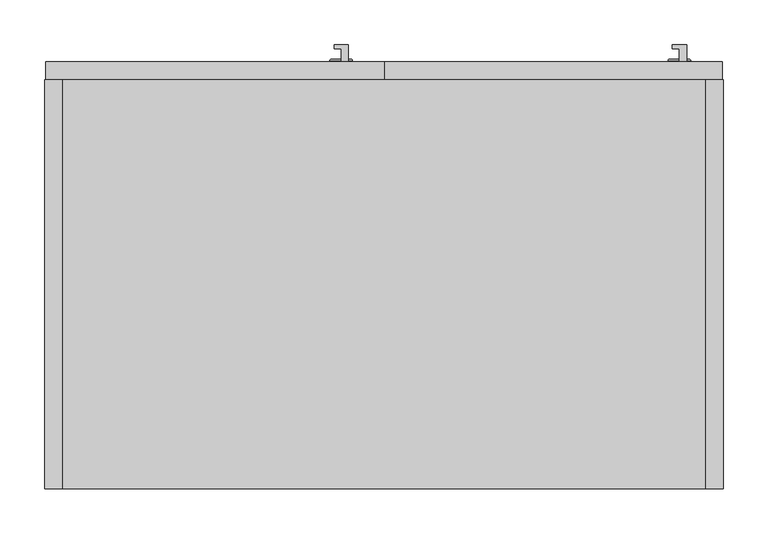
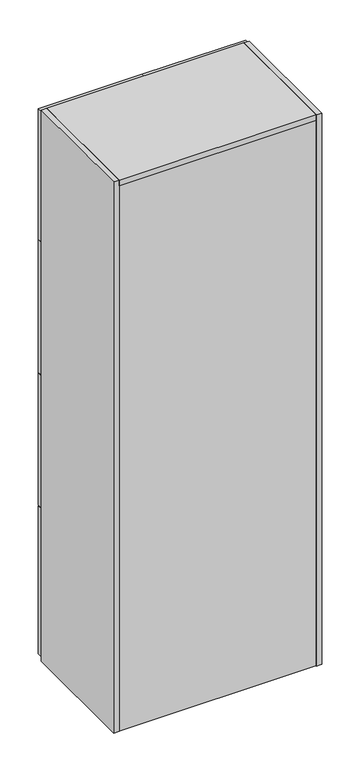
"""IFC4 building model written with IfcOpenShell, lengths in millimetres: furniture geometry."""

from ifc_helpers import new_model, si_unit, point, frame, origin, origin_with_axes, place, context, project, spatial, polyline, circle_curve, ellipse_curve, trimmed, outline, extrude, source, transform, mapped, element, save
from ifc_brep_helpers import plane_surface, cylinder_surface, revolved_surface, advanced_brep


def furniture_d8e3476f(model_context):
    return source(origin(), model_context, "Body", "SolidModel", [
        advanced_brep(
        [(332.994, 482.092, 1760.318722), (332.994, 482.092, 1771.6579089), (332.994, 482.092, 1782.9970958), (332.994, 480.7311869, 1758.9579089), (332.994, 480.7311869, 1784.3579089), (332.994, 479.552, 1758.9579089), (332.994, 479.552, 1784.3579089), (332.994, 479.552, 1771.6579089)],
        [
            (0, 1),
            (1, 2),
            (2, 0, circle_curve(frame((332.994, 482.092, 1771.6579089), z_axis=(0.0, 1.0, 0.0), x_axis=(0.0, 0.0, 1.0)), 11.3391869)),
            (0, 2, circle_curve(frame((332.994, 482.092, 1771.6579089), z_axis=(0.0, 1.0, 0.0), x_axis=(0.0, 0.0, 1.0)), 11.3391869)),
            (3, 0, circle_curve(frame((332.994, 480.7311869, 1760.318722), z_axis=(1.0, 0.0, 0.0), x_axis=(0.0, 1.0, 0.0)), 1.3608131)),
            (2, 4, circle_curve(frame((332.994, 480.7311869, 1782.9970958), z_axis=(1.0, 0.0, 0.0), x_axis=(0.0, 1.0, 0.0)), 1.3608131)),
            (4, 3, circle_curve(frame((332.994, 480.7311869, 1771.6579089), z_axis=(0.0, 1.0, 0.0), x_axis=(0.0, 0.0, 1.0)), 12.7)),
            (3, 4, circle_curve(frame((332.994, 480.7311869, 1771.6579089), z_axis=(0.0, 1.0, 0.0), x_axis=(0.0, 0.0, 1.0)), 12.7)),
            (5, 3),
            (4, 6),
            (6, 5, circle_curve(frame((332.994, 479.552, 1771.6579089), z_axis=(0.0, 1.0, 0.0), x_axis=(0.0, 0.0, 1.0)), 12.7)),
            (5, 6, circle_curve(frame((332.994, 479.552, 1771.6579089), z_axis=(0.0, 1.0, 0.0), x_axis=(0.0, 0.0, 1.0)), 12.7)),
            (7, 5),
            (6, 7),
        ],
        [
            plane_surface(frame((332.994, 482.092, 1771.6579089), z_axis=(0.0, 1.0, 0.0), x_axis=(0.0, 0.0, 1.0))),
            revolved_surface(trimmed(ellipse_curve(frame((332.994, 480.7311869, 1782.9970958), z_axis=(1.0, 0.0, 0.0), x_axis=(0.0, 1.0, 0.0)), 1.3608131, 1.3608131), [point((332.994, 482.092, 1782.9970958))], [point((332.994, 480.7311869, 1784.3579089))], True, "CARTESIAN"), (332.994, 552.4232944, 1771.6579089), (0.0, -1.0, 0.0)),
            cylinder_surface(frame((332.994, 552.4232944, 1771.6579089), z_axis=(0.0, -1.0, 0.0), x_axis=(0.0, 0.0, 1.0)), 12.7),
            plane_surface(frame((332.994, 479.552, 1771.6579089), z_axis=(0.0, -1.0, 0.0), x_axis=(0.0, 0.0, 1.0))),
        ],
        [
            (0, [[1, 2, 3]]),
            (0, [[-2, -1, 4]]),
            (1, [[5, -3, 6, 7]]),
            (1, [[-6, -4, -5, 8]]),
            (2, [[9, -7, 10, 11]]),
            (2, [[-10, -8, -9, 12]]),
            (3, [[13, -11, 14]]),
            (3, [[-14, -12, -13]]),
        ],
    ),
        extrude(outline(polyline([(341.0869926, 479.552), (332.994, 479.552), (332.994, 494.112998), (325.0999347, 494.112998), (325.0999347, 498.6758872), (341.0869926, 498.6758872), (341.0869926, 479.552)])), frame((0.0, 0.0, 1803.4079089), z_axis=(0.0, 0.0, 1.0), x_axis=(1.0, 0.0, 0.0)), (0.0, 0.0, 1.0), 146.0341822),
        advanced_brep(
        [(332.994, 482.092, 1245.968722), (332.994, 482.092, 1257.3079089), (332.994, 482.092, 1268.6470958), (332.994, 480.7311869, 1244.6079089), (332.994, 480.7311869, 1270.0079089), (332.994, 479.552, 1244.6079089), (332.994, 479.552, 1270.0079089), (332.994, 479.552, 1257.3079089)],
        [
            (0, 1),
            (1, 2),
            (2, 0, circle_curve(frame((332.994, 482.092, 1257.3079089), z_axis=(0.0, 1.0, 0.0), x_axis=(0.0, 0.0, 1.0)), 11.3391869)),
            (0, 2, circle_curve(frame((332.994, 482.092, 1257.3079089), z_axis=(0.0, 1.0, 0.0), x_axis=(0.0, 0.0, 1.0)), 11.3391869)),
            (3, 0, circle_curve(frame((332.994, 480.7311869, 1245.968722), z_axis=(1.0, 0.0, 0.0), x_axis=(0.0, 1.0, 0.0)), 1.3608131)),
            (2, 4, circle_curve(frame((332.994, 480.7311869, 1268.6470958), z_axis=(1.0, 0.0, 0.0), x_axis=(0.0, 1.0, 0.0)), 1.3608131)),
            (4, 3, circle_curve(frame((332.994, 480.7311869, 1257.3079089), z_axis=(0.0, 1.0, 0.0), x_axis=(0.0, 0.0, 1.0)), 12.7)),
            (3, 4, circle_curve(frame((332.994, 480.7311869, 1257.3079089), z_axis=(0.0, 1.0, 0.0), x_axis=(0.0, 0.0, 1.0)), 12.7)),
            (5, 3),
            (4, 6),
            (6, 5, circle_curve(frame((332.994, 479.552, 1257.3079089), z_axis=(0.0, 1.0, 0.0), x_axis=(0.0, 0.0, 1.0)), 12.7)),
            (5, 6, circle_curve(frame((332.994, 479.552, 1257.3079089), z_axis=(0.0, 1.0, 0.0), x_axis=(0.0, 0.0, 1.0)), 12.7)),
            (7, 5),
            (6, 7),
        ],
        [
            plane_surface(frame((332.994, 482.092, 1257.3079089), z_axis=(0.0, 1.0, 0.0), x_axis=(0.0, 0.0, 1.0))),
            revolved_surface(trimmed(ellipse_curve(frame((332.994, 480.7311869, 1268.6470958), z_axis=(1.0, 0.0, 0.0), x_axis=(0.0, 1.0, 0.0)), 1.3608131, 1.3608131), [point((332.994, 482.092, 1268.6470958))], [point((332.994, 480.7311869, 1270.0079089))], True, "CARTESIAN"), (332.994, 552.4232944, 1257.3079089), (0.0, -1.0, 0.0)),
            cylinder_surface(frame((332.994, 552.4232944, 1257.3079089), z_axis=(0.0, -1.0, 0.0), x_axis=(0.0, 0.0, 1.0)), 12.7),
            plane_surface(frame((332.994, 479.552, 1257.3079089), z_axis=(0.0, -1.0, 0.0), x_axis=(0.0, 0.0, 1.0))),
        ],
        [
            (0, [[1, 2, 3]]),
            (0, [[-2, -1, 4]]),
            (1, [[5, -3, 6, 7]]),
            (1, [[-6, -4, -5, 8]]),
            (2, [[9, -7, 10, 11]]),
            (2, [[-10, -8, -9, 12]]),
            (3, [[13, -11, 14]]),
            (3, [[-14, -12, -13]]),
        ],
    ),
        extrude(outline(polyline([(341.0869926, 479.552), (332.994, 479.552), (332.994, 494.112998), (325.0999347, 494.112998), (325.0999347, 498.6758872), (341.0869926, 498.6758872), (341.0869926, 479.552)])), frame((0.0, 0.0, 1289.0579089), z_axis=(0.0, 0.0, 1.0), x_axis=(1.0, 0.0, 0.0)), (0.0, 0.0, 1.0), 146.0341822),
        advanced_brep(
        [(332.994, 482.092, 731.618722), (332.994, 482.092, 742.9579089), (332.994, 482.092, 754.2970958), (332.994, 480.7311869, 730.2579089), (332.994, 480.7311869, 755.6579089), (332.994, 479.552, 730.2579089), (332.994, 479.552, 755.6579089), (332.994, 479.552, 742.9579089)],
        [
            (0, 1),
            (1, 2),
            (2, 0, circle_curve(frame((332.994, 482.092, 742.9579089), z_axis=(0.0, 1.0, 0.0), x_axis=(0.0, 0.0, 1.0)), 11.3391869)),
            (0, 2, circle_curve(frame((332.994, 482.092, 742.9579089), z_axis=(0.0, 1.0, 0.0), x_axis=(0.0, 0.0, 1.0)), 11.3391869)),
            (3, 0, circle_curve(frame((332.994, 480.7311869, 731.618722), z_axis=(1.0, 0.0, 0.0), x_axis=(0.0, 1.0, 0.0)), 1.3608131)),
            (2, 4, circle_curve(frame((332.994, 480.7311869, 754.2970958), z_axis=(1.0, 0.0, 0.0), x_axis=(0.0, 1.0, 0.0)), 1.3608131)),
            (4, 3, circle_curve(frame((332.994, 480.7311869, 742.9579089), z_axis=(0.0, 1.0, 0.0), x_axis=(0.0, 0.0, 1.0)), 12.7)),
            (3, 4, circle_curve(frame((332.994, 480.7311869, 742.9579089), z_axis=(0.0, 1.0, 0.0), x_axis=(0.0, 0.0, 1.0)), 12.7)),
            (5, 3),
            (4, 6),
            (6, 5, circle_curve(frame((332.994, 479.552, 742.9579089), z_axis=(0.0, 1.0, 0.0), x_axis=(0.0, 0.0, 1.0)), 12.7)),
            (5, 6, circle_curve(frame((332.994, 479.552, 742.9579089), z_axis=(0.0, 1.0, 0.0), x_axis=(0.0, 0.0, 1.0)), 12.7)),
            (7, 5),
            (6, 7),
        ],
        [
            plane_surface(frame((332.994, 482.092, 742.9579089), z_axis=(0.0, 1.0, 0.0), x_axis=(0.0, 0.0, 1.0))),
            revolved_surface(trimmed(ellipse_curve(frame((332.994, 480.7311869, 754.2970958), z_axis=(1.0, 0.0, 0.0), x_axis=(0.0, 1.0, 0.0)), 1.3608131, 1.3608131), [point((332.994, 482.092, 754.2970958))], [point((332.994, 480.7311869, 755.6579089))], True, "CARTESIAN"), (332.994, 552.4232944, 742.9579089), (0.0, -1.0, 0.0)),
            cylinder_surface(frame((332.994, 552.4232944, 742.9579089), z_axis=(0.0, -1.0, 0.0), x_axis=(0.0, 0.0, 1.0)), 12.7),
            plane_surface(frame((332.994, 479.552, 742.9579089), z_axis=(0.0, -1.0, 0.0), x_axis=(0.0, 0.0, 1.0))),
        ],
        [
            (0, [[1, 2, 3]]),
            (0, [[-2, -1, 4]]),
            (1, [[5, -3, 6, 7]]),
            (1, [[-6, -4, -5, 8]]),
            (2, [[9, -7, 10, 11]]),
            (2, [[-10, -8, -9, 12]]),
            (3, [[13, -11, 14]]),
            (3, [[-14, -12, -13]]),
        ],
    ),
        extrude(outline(polyline([(341.0869926, 479.552), (332.994, 479.552), (332.994, 494.112998), (325.0999347, 494.112998), (325.0999347, 498.6758872), (341.0869926, 498.6758872), (341.0869926, 479.552)])), frame((0.0, 0.0, 774.7079089), z_axis=(0.0, 0.0, 1.0), x_axis=(1.0, 0.0, 0.0)), (0.0, 0.0, 1.0), 146.0341822),
        advanced_brep(
        [(332.994, 482.092, 217.268722), (332.994, 482.092, 228.6079089), (332.994, 482.092, 239.9470958), (332.994, 480.7311869, 215.9079089), (332.994, 480.7311869, 241.3079089), (332.994, 479.552, 215.9079089), (332.994, 479.552, 241.3079089), (332.994, 479.552, 228.6079089)],
        [
            (0, 1),
            (1, 2),
            (2, 0, circle_curve(frame((332.994, 482.092, 228.6079089), z_axis=(0.0, 1.0, 0.0), x_axis=(0.0, 0.0, 1.0)), 11.3391869)),
            (0, 2, circle_curve(frame((332.994, 482.092, 228.6079089), z_axis=(0.0, 1.0, 0.0), x_axis=(0.0, 0.0, 1.0)), 11.3391869)),
            (3, 0, circle_curve(frame((332.994, 480.7311869, 217.268722), z_axis=(1.0, 0.0, 0.0), x_axis=(0.0, 1.0, 0.0)), 1.3608131)),
            (2, 4, circle_curve(frame((332.994, 480.7311869, 239.9470958), z_axis=(1.0, 0.0, 0.0), x_axis=(0.0, 1.0, 0.0)), 1.3608131)),
            (4, 3, circle_curve(frame((332.994, 480.7311869, 228.6079089), z_axis=(0.0, 1.0, 0.0), x_axis=(0.0, 0.0, 1.0)), 12.7)),
            (3, 4, circle_curve(frame((332.994, 480.7311869, 228.6079089), z_axis=(0.0, 1.0, 0.0), x_axis=(0.0, 0.0, 1.0)), 12.7)),
            (5, 3),
            (4, 6),
            (6, 5, circle_curve(frame((332.994, 479.552, 228.6079089), z_axis=(0.0, 1.0, 0.0), x_axis=(0.0, 0.0, 1.0)), 12.7)),
            (5, 6, circle_curve(frame((332.994, 479.552, 228.6079089), z_axis=(0.0, 1.0, 0.0), x_axis=(0.0, 0.0, 1.0)), 12.7)),
            (7, 5),
            (6, 7),
        ],
        [
            plane_surface(frame((332.994, 482.092, 228.6079089), z_axis=(0.0, 1.0, 0.0), x_axis=(0.0, 0.0, 1.0))),
            revolved_surface(trimmed(ellipse_curve(frame((332.994, 480.7311869, 239.9470958), z_axis=(1.0, 0.0, 0.0), x_axis=(0.0, 1.0, 0.0)), 1.3608131, 1.3608131), [point((332.994, 482.092, 239.9470958))], [point((332.994, 480.7311869, 241.3079089))], True, "CARTESIAN"), (332.994, 552.4232944, 228.6079089), (0.0, -1.0, 0.0)),
            cylinder_surface(frame((332.994, 552.4232944, 228.6079089), z_axis=(0.0, -1.0, 0.0), x_axis=(0.0, 0.0, 1.0)), 12.7),
            plane_surface(frame((332.994, 479.552, 228.6079089), z_axis=(0.0, -1.0, 0.0), x_axis=(0.0, 0.0, 1.0))),
        ],
        [
            (0, [[1, 2, 3]]),
            (0, [[-2, -1, 4]]),
            (1, [[5, -3, 6, 7]]),
            (1, [[-6, -4, -5, 8]]),
            (2, [[9, -7, 10, 11]]),
            (2, [[-10, -8, -9, 12]]),
            (3, [[13, -11, 14]]),
            (3, [[-14, -12, -13]]),
        ],
    ),
        extrude(outline(polyline([(341.0869926, 479.552), (332.994, 479.552), (332.994, 494.112998), (325.0999347, 494.112998), (325.0999347, 498.6758872), (341.0869926, 498.6758872), (341.0869926, 479.552)])), frame((0.0, 0.0, 260.3579089), z_axis=(0.0, 0.0, 1.0), x_axis=(1.0, 0.0, 0.0)), (0.0, 0.0, 1.0), 146.0341822),
        advanced_brep(
        [(712.47, 482.092, 1760.318722), (712.47, 482.092, 1771.6579089), (712.47, 482.092, 1782.9970958), (712.47, 480.7311869, 1758.9579089), (712.47, 480.7311869, 1784.3579089), (712.47, 479.552, 1758.9579089), (712.47, 479.552, 1784.3579089), (712.47, 479.552, 1771.6579089)],
        [
            (0, 1),
            (1, 2),
            (2, 0, circle_curve(frame((712.47, 482.092, 1771.6579089), z_axis=(0.0, 1.0, 0.0), x_axis=(0.0, 0.0, 1.0)), 11.3391869)),
            (0, 2, circle_curve(frame((712.47, 482.092, 1771.6579089), z_axis=(0.0, 1.0, 0.0), x_axis=(0.0, 0.0, 1.0)), 11.3391869)),
            (3, 0, circle_curve(frame((712.47, 480.7311869, 1760.318722), z_axis=(1.0, 0.0, 0.0), x_axis=(0.0, 1.0, 0.0)), 1.3608131)),
            (2, 4, circle_curve(frame((712.47, 480.7311869, 1782.9970958), z_axis=(1.0, 0.0, 0.0), x_axis=(0.0, 1.0, 0.0)), 1.3608131)),
            (4, 3, circle_curve(frame((712.47, 480.7311869, 1771.6579089), z_axis=(0.0, 1.0, 0.0), x_axis=(0.0, 0.0, 1.0)), 12.7)),
            (3, 4, circle_curve(frame((712.47, 480.7311869, 1771.6579089), z_axis=(0.0, 1.0, 0.0), x_axis=(0.0, 0.0, 1.0)), 12.7)),
            (5, 3),
            (4, 6),
            (6, 5, circle_curve(frame((712.47, 479.552, 1771.6579089), z_axis=(0.0, 1.0, 0.0), x_axis=(0.0, 0.0, 1.0)), 12.7)),
            (5, 6, circle_curve(frame((712.47, 479.552, 1771.6579089), z_axis=(0.0, 1.0, 0.0), x_axis=(0.0, 0.0, 1.0)), 12.7)),
            (7, 5),
            (6, 7),
        ],
        [
            plane_surface(frame((712.47, 482.092, 1771.6579089), z_axis=(0.0, 1.0, 0.0), x_axis=(0.0, 0.0, 1.0))),
            revolved_surface(trimmed(ellipse_curve(frame((712.47, 480.7311869, 1782.9970958), z_axis=(1.0, 0.0, 0.0), x_axis=(0.0, 1.0, 0.0)), 1.3608131, 1.3608131), [point((712.47, 482.092, 1782.9970958))], [point((712.47, 480.7311869, 1784.3579089))], True, "CARTESIAN"), (712.47, 552.4232944, 1771.6579089), (0.0, -1.0, 0.0)),
            cylinder_surface(frame((712.47, 552.4232944, 1771.6579089), z_axis=(0.0, -1.0, 0.0), x_axis=(0.0, 0.0, 1.0)), 12.7),
            plane_surface(frame((712.47, 479.552, 1771.6579089), z_axis=(0.0, -1.0, 0.0), x_axis=(0.0, 0.0, 1.0))),
        ],
        [
            (0, [[1, 2, 3]]),
            (0, [[-2, -1, 4]]),
            (1, [[5, -3, 6, 7]]),
            (1, [[-6, -4, -5, 8]]),
            (2, [[9, -7, 10, 11]]),
            (2, [[-10, -8, -9, 12]]),
            (3, [[13, -11, 14]]),
            (3, [[-14, -12, -13]]),
        ],
    ),
        extrude(outline(polyline([(720.5629926, 479.552), (712.47, 479.552), (712.47, 494.112998), (704.5759347, 494.112998), (704.5759347, 498.6758872), (720.5629926, 498.6758872), (720.5629926, 479.552)])), frame((0.0, 0.0, 1803.4079089), z_axis=(0.0, 0.0, 1.0), x_axis=(1.0, 0.0, 0.0)), (0.0, 0.0, 1.0), 146.0341822),
        advanced_brep(
        [(712.47, 482.092, 1245.968722), (712.47, 482.092, 1257.3079089), (712.47, 482.092, 1268.6470958), (712.47, 480.7311869, 1244.6079089), (712.47, 480.7311869, 1270.0079089), (712.47, 479.552, 1244.6079089), (712.47, 479.552, 1270.0079089), (712.47, 479.552, 1257.3079089)],
        [
            (0, 1),
            (1, 2),
            (2, 0, circle_curve(frame((712.47, 482.092, 1257.3079089), z_axis=(0.0, 1.0, 0.0), x_axis=(0.0, 0.0, 1.0)), 11.3391869)),
            (0, 2, circle_curve(frame((712.47, 482.092, 1257.3079089), z_axis=(0.0, 1.0, 0.0), x_axis=(0.0, 0.0, 1.0)), 11.3391869)),
            (3, 0, circle_curve(frame((712.47, 480.7311869, 1245.968722), z_axis=(1.0, 0.0, 0.0), x_axis=(0.0, 1.0, 0.0)), 1.3608131)),
            (2, 4, circle_curve(frame((712.47, 480.7311869, 1268.6470958), z_axis=(1.0, 0.0, 0.0), x_axis=(0.0, 1.0, 0.0)), 1.3608131)),
            (4, 3, circle_curve(frame((712.47, 480.7311869, 1257.3079089), z_axis=(0.0, 1.0, 0.0), x_axis=(0.0, 0.0, 1.0)), 12.7)),
            (3, 4, circle_curve(frame((712.47, 480.7311869, 1257.3079089), z_axis=(0.0, 1.0, 0.0), x_axis=(0.0, 0.0, 1.0)), 12.7)),
            (5, 3),
            (4, 6),
            (6, 5, circle_curve(frame((712.47, 479.552, 1257.3079089), z_axis=(0.0, 1.0, 0.0), x_axis=(0.0, 0.0, 1.0)), 12.7)),
            (5, 6, circle_curve(frame((712.47, 479.552, 1257.3079089), z_axis=(0.0, 1.0, 0.0), x_axis=(0.0, 0.0, 1.0)), 12.7)),
            (7, 5),
            (6, 7),
        ],
        [
            plane_surface(frame((712.47, 482.092, 1257.3079089), z_axis=(0.0, 1.0, 0.0), x_axis=(0.0, 0.0, 1.0))),
            revolved_surface(trimmed(ellipse_curve(frame((712.47, 480.7311869, 1268.6470958), z_axis=(1.0, 0.0, 0.0), x_axis=(0.0, 1.0, 0.0)), 1.3608131, 1.3608131), [point((712.47, 482.092, 1268.6470958))], [point((712.47, 480.7311869, 1270.0079089))], True, "CARTESIAN"), (712.47, 552.4232944, 1257.3079089), (0.0, -1.0, 0.0)),
            cylinder_surface(frame((712.47, 552.4232944, 1257.3079089), z_axis=(0.0, -1.0, 0.0), x_axis=(0.0, 0.0, 1.0)), 12.7),
            plane_surface(frame((712.47, 479.552, 1257.3079089), z_axis=(0.0, -1.0, 0.0), x_axis=(0.0, 0.0, 1.0))),
        ],
        [
            (0, [[1, 2, 3]]),
            (0, [[-2, -1, 4]]),
            (1, [[5, -3, 6, 7]]),
            (1, [[-6, -4, -5, 8]]),
            (2, [[9, -7, 10, 11]]),
            (2, [[-10, -8, -9, 12]]),
            (3, [[13, -11, 14]]),
            (3, [[-14, -12, -13]]),
        ],
    ),
        extrude(outline(polyline([(720.5629926, 479.552), (712.47, 479.552), (712.47, 494.112998), (704.5759347, 494.112998), (704.5759347, 498.6758872), (720.5629926, 498.6758872), (720.5629926, 479.552)])), frame((0.0, 0.0, 1289.0579089), z_axis=(0.0, 0.0, 1.0), x_axis=(1.0, 0.0, 0.0)), (0.0, 0.0, 1.0), 146.0341822),
        advanced_brep(
        [(712.47, 482.092, 731.618722), (712.47, 482.092, 742.9579089), (712.47, 482.092, 754.2970958), (712.47, 480.7311869, 730.2579089), (712.47, 480.7311869, 755.6579089), (712.47, 479.552, 730.2579089), (712.47, 479.552, 755.6579089), (712.47, 479.552, 742.9579089)],
        [
            (0, 1),
            (1, 2),
            (2, 0, circle_curve(frame((712.47, 482.092, 742.9579089), z_axis=(0.0, 1.0, 0.0), x_axis=(0.0, 0.0, 1.0)), 11.3391869)),
            (0, 2, circle_curve(frame((712.47, 482.092, 742.9579089), z_axis=(0.0, 1.0, 0.0), x_axis=(0.0, 0.0, 1.0)), 11.3391869)),
            (3, 0, circle_curve(frame((712.47, 480.7311869, 731.618722), z_axis=(1.0, 0.0, 0.0), x_axis=(0.0, 1.0, 0.0)), 1.3608131)),
            (2, 4, circle_curve(frame((712.47, 480.7311869, 754.2970958), z_axis=(1.0, 0.0, 0.0), x_axis=(0.0, 1.0, 0.0)), 1.3608131)),
            (4, 3, circle_curve(frame((712.47, 480.7311869, 742.9579089), z_axis=(0.0, 1.0, 0.0), x_axis=(0.0, 0.0, 1.0)), 12.7)),
            (3, 4, circle_curve(frame((712.47, 480.7311869, 742.9579089), z_axis=(0.0, 1.0, 0.0), x_axis=(0.0, 0.0, 1.0)), 12.7)),
            (5, 3),
            (4, 6),
            (6, 5, circle_curve(frame((712.47, 479.552, 742.9579089), z_axis=(0.0, 1.0, 0.0), x_axis=(0.0, 0.0, 1.0)), 12.7)),
            (5, 6, circle_curve(frame((712.47, 479.552, 742.9579089), z_axis=(0.0, 1.0, 0.0), x_axis=(0.0, 0.0, 1.0)), 12.7)),
            (7, 5),
            (6, 7),
        ],
        [
            plane_surface(frame((712.47, 482.092, 742.9579089), z_axis=(0.0, 1.0, 0.0), x_axis=(0.0, 0.0, 1.0))),
            revolved_surface(trimmed(ellipse_curve(frame((712.47, 480.7311869, 754.2970958), z_axis=(1.0, 0.0, 0.0), x_axis=(0.0, 1.0, 0.0)), 1.3608131, 1.3608131), [point((712.47, 482.092, 754.2970958))], [point((712.47, 480.7311869, 755.6579089))], True, "CARTESIAN"), (712.47, 552.4232944, 742.9579089), (0.0, -1.0, 0.0)),
            cylinder_surface(frame((712.47, 552.4232944, 742.9579089), z_axis=(0.0, -1.0, 0.0), x_axis=(0.0, 0.0, 1.0)), 12.7),
            plane_surface(frame((712.47, 479.552, 742.9579089), z_axis=(0.0, -1.0, 0.0), x_axis=(0.0, 0.0, 1.0))),
        ],
        [
            (0, [[1, 2, 3]]),
            (0, [[-2, -1, 4]]),
            (1, [[5, -3, 6, 7]]),
            (1, [[-6, -4, -5, 8]]),
            (2, [[9, -7, 10, 11]]),
            (2, [[-10, -8, -9, 12]]),
            (3, [[13, -11, 14]]),
            (3, [[-14, -12, -13]]),
        ],
    ),
        extrude(outline(polyline([(720.5629926, 479.552), (712.47, 479.552), (712.47, 494.112998), (704.5759347, 494.112998), (704.5759347, 498.6758872), (720.5629926, 498.6758872), (720.5629926, 479.552)])), frame((0.0, 0.0, 774.7079089), z_axis=(0.0, 0.0, 1.0), x_axis=(1.0, 0.0, 0.0)), (0.0, 0.0, 1.0), 146.0341822),
        advanced_brep(
        [(712.47, 482.092, 217.268722), (712.47, 482.092, 228.6079089), (712.47, 482.092, 239.9470958), (712.47, 480.7311869, 215.9079089), (712.47, 480.7311869, 241.3079089), (712.47, 479.552, 215.9079089), (712.47, 479.552, 241.3079089), (712.47, 479.552, 228.6079089)],
        [
            (0, 1),
            (1, 2),
            (2, 0, circle_curve(frame((712.47, 482.092, 228.6079089), z_axis=(0.0, 1.0, 0.0), x_axis=(0.0, 0.0, 1.0)), 11.3391869)),
            (0, 2, circle_curve(frame((712.47, 482.092, 228.6079089), z_axis=(0.0, 1.0, 0.0), x_axis=(0.0, 0.0, 1.0)), 11.3391869)),
            (3, 0, circle_curve(frame((712.47, 480.7311869, 217.268722), z_axis=(1.0, 0.0, 0.0), x_axis=(0.0, 1.0, 0.0)), 1.3608131)),
            (2, 4, circle_curve(frame((712.47, 480.7311869, 239.9470958), z_axis=(1.0, 0.0, 0.0), x_axis=(0.0, 1.0, 0.0)), 1.3608131)),
            (4, 3, circle_curve(frame((712.47, 480.7311869, 228.6079089), z_axis=(0.0, 1.0, 0.0), x_axis=(0.0, 0.0, 1.0)), 12.7)),
            (3, 4, circle_curve(frame((712.47, 480.7311869, 228.6079089), z_axis=(0.0, 1.0, 0.0), x_axis=(0.0, 0.0, 1.0)), 12.7)),
            (5, 3),
            (4, 6),
            (6, 5, circle_curve(frame((712.47, 479.552, 228.6079089), z_axis=(0.0, 1.0, 0.0), x_axis=(0.0, 0.0, 1.0)), 12.7)),
            (5, 6, circle_curve(frame((712.47, 479.552, 228.6079089), z_axis=(0.0, 1.0, 0.0), x_axis=(0.0, 0.0, 1.0)), 12.7)),
            (7, 5),
            (6, 7),
        ],
        [
            plane_surface(frame((712.47, 482.092, 228.6079089), z_axis=(0.0, 1.0, 0.0), x_axis=(0.0, 0.0, 1.0))),
            revolved_surface(trimmed(ellipse_curve(frame((712.47, 480.7311869, 239.9470958), z_axis=(1.0, 0.0, 0.0), x_axis=(0.0, 1.0, 0.0)), 1.3608131, 1.3608131), [point((712.47, 482.092, 239.9470958))], [point((712.47, 480.7311869, 241.3079089))], True, "CARTESIAN"), (712.47, 552.4232944, 228.6079089), (0.0, -1.0, 0.0)),
            cylinder_surface(frame((712.47, 552.4232944, 228.6079089), z_axis=(0.0, -1.0, 0.0), x_axis=(0.0, 0.0, 1.0)), 12.7),
            plane_surface(frame((712.47, 479.552, 228.6079089), z_axis=(0.0, -1.0, 0.0), x_axis=(0.0, 0.0, 1.0))),
        ],
        [
            (0, [[1, 2, 3]]),
            (0, [[-2, -1, 4]]),
            (1, [[5, -3, 6, 7]]),
            (1, [[-6, -4, -5, 8]]),
            (2, [[9, -7, 10, 11]]),
            (2, [[-10, -8, -9, 12]]),
            (3, [[13, -11, 14]]),
            (3, [[-14, -12, -13]]),
        ],
    ),
        extrude(outline(polyline([(720.5629926, 479.552), (712.47, 479.552), (712.47, 494.112998), (704.5759347, 494.112998), (704.5759347, 498.6758872), (720.5629926, 498.6758872), (720.5629926, 479.552)])), frame((0.0, 0.0, 260.3579089), z_axis=(0.0, 0.0, 1.0), x_axis=(1.0, 0.0, 0.0)), (0.0, 0.0, 1.0), 146.0341822),
        extrude(outline(polyline([(381.0, 479.552), (381.0, 459.1557568), (1.524, 459.1557568), (1.524, 479.552), (381.0, 479.552)])), frame((0.0, 0.0, 1620.774), z_axis=(0.0, 0.0, 1.0), x_axis=(1.0, 0.0, 0.0)), (0.0, 0.0, 1.0), 505.206),
        extrude(outline(polyline([(381.0, 479.552), (381.0, 459.1557568), (1.524, 459.1557568), (1.524, 479.552), (381.0, 479.552)])), frame((0.0, 0.0, 1106.424), z_axis=(0.0, 0.0, 1.0), x_axis=(1.0, 0.0, 0.0)), (0.0, 0.0, 1.0), 511.302),
        extrude(outline(polyline([(381.0, 479.552), (381.0, 459.1557568), (1.524, 459.1557568), (1.524, 479.552), (381.0, 479.552)])), frame((0.0, 0.0, 592.074), z_axis=(0.0, 0.0, 1.0), x_axis=(1.0, 0.0, 0.0)), (0.0, 0.0, 1.0), 511.302),
        extrude(outline(polyline([(381.0, 479.552), (381.0, 459.1557568), (1.524, 459.1557568), (1.524, 479.552), (381.0, 479.552)])), frame((0.0, 0.0, 15.24), z_axis=(0.0, 0.0, 1.0), x_axis=(1.0, 0.0, 0.0)), (0.0, 0.0, 1.0), 573.786),
        extrude(outline(polyline([(381.0, 459.1557568), (381.0, 479.552), (760.476, 479.552), (760.476, 459.1557568), (381.0, 459.1557568)])), frame((0.0, 0.0, 1620.774), z_axis=(0.0, 0.0, 1.0), x_axis=(1.0, 0.0, 0.0)), (0.0, 0.0, 1.0), 505.206),
        extrude(outline(polyline([(760.476, 479.552), (760.476, 459.1557568), (381.0, 459.1557568), (381.0, 479.552), (760.476, 479.552)])), frame((0.0, 0.0, 1106.424), z_axis=(0.0, 0.0, 1.0), x_axis=(1.0, 0.0, 0.0)), (0.0, 0.0, 1.0), 511.302),
        extrude(outline(polyline([(760.476, 479.552), (760.476, 459.1557568), (381.0, 459.1557568), (381.0, 479.552), (760.476, 479.552)])), frame((0.0, 0.0, 592.074), z_axis=(0.0, 0.0, 1.0), x_axis=(1.0, 0.0, 0.0)), (0.0, 0.0, 1.0), 511.302),
        extrude(outline(polyline([(760.476, 479.552), (760.476, 459.1557568), (381.0, 459.1557568), (381.0, 479.552), (760.476, 479.552)])), frame((0.0, 0.0, 15.24), z_axis=(0.0, 0.0, 1.0), x_axis=(1.0, 0.0, 0.0)), (0.0, 0.0, 1.0), 573.786),
        extrude(outline(polyline([(0.0, 2112.01), (0.0, 2133.6), (459.1557568, 2133.6), (459.1557568, 76.2), (457.6317568, 76.2), (457.6317568, 0.0), (1.524, 0.0), (1.524, 2112.01), (0.0, 2112.01)])), frame((20.32, 0.0, 0.0), z_axis=(1.0, 0.0, 0.0), x_axis=(0.0, 1.0, 0.0)), (0.0, 0.0, 1.0), 721.36),
        extrude(outline(polyline([(20.32, 0.0), (0.0, 0.0), (0.0, 459.1557568), (20.32, 459.1557568), (20.32, 0.0)])), origin_with_axes(), (0.0, 0.0, 1.0), 2133.6),
        extrude(outline(polyline([(741.68, 459.1557568), (762.0, 459.1557568), (762.0, 0.0), (741.68, 0.0), (741.68, 459.1557568)])), origin_with_axes(), (0.0, 0.0, 1.0), 2133.6),
    ])


if __name__ == "__main__":
    model = new_model("IFC4")
    model_context = context("Model", 3, world=origin())
    ifc_project = project(units=[si_unit("LENGTHUNIT", "METRE", prefix="MILLI")], contexts=[model_context])
    site = spatial("IfcSite", under=ifc_project)
    building = spatial("IfcBuilding", under=site)
    placement = place(None, origin())
    furniture_shape = furniture_d8e3476f(model_context)
    element("IfcFurniture", 1, at=placement, inside=building, context=model_context, shape_type="MappedRepresentation", body=[
        mapped(furniture_shape, transform((0.0, 0.0, 0.0), x_axis=(1.0, 0.0, 0.0), y_axis=(0.0, 1.0, 0.0), z_axis=(0.0, 0.0, 1.0))),
    ])
    save(model, "model.ifc")
